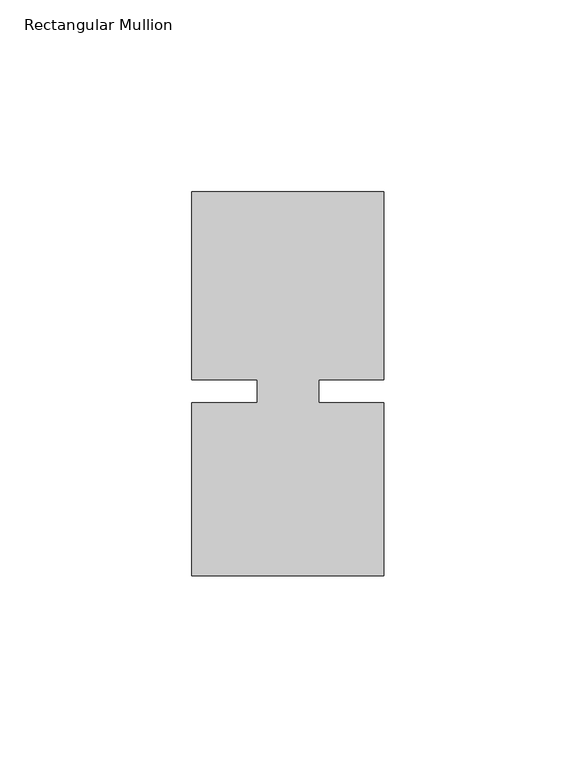
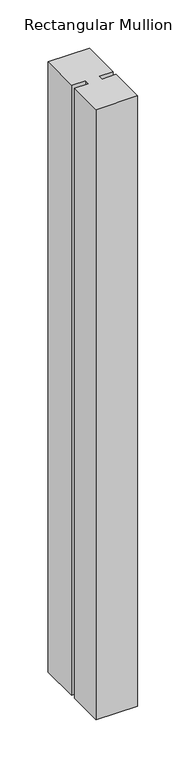
"""IFC4 building model written with IfcOpenShell, lengths in millimetres: member geometry, Rectangular Mullion."""

import ifcopenshell
import ifcopenshell.guid

model = None  # the IFC model being written
_history = None  # IfcOwnerHistory: only IFC2X3 demands one
_inside = {}  # id of a spatial element -> (the spatial element, [elements in it])
_under = {}  # id of a project, library or spatial element -> (it, [spatial elements below it])
_declared = {}  # id of a project -> (the project, [libraries it declares])
_typed = {}  # id of a type object -> (the type object, [elements of that type])
_made_of = {}  # id of a material, layer set ... -> (it, [elements and type objects made of it])


def new_model(schema):
    """Start an empty IFC model of exactly this schema.

    Asked for "IFC4X3", IfcOpenShell would pick the latest addendum, in which some entities
    have other attributes; the version numbers below select the first issue.
    IFC2X3 requires an IfcOwnerHistory on every rooted entity: one is made here for all.
    """
    global model, _history
    if schema == "IFC4X3":
        model = ifcopenshell.file(schema_version=(4, 3, 0, 0))
    else:
        model = ifcopenshell.file(schema=schema)
    _inside.clear()
    _under.clear()
    _declared.clear()
    _typed.clear()
    _made_of.clear()
    _history = None
    if model.schema == "IFC2X3":
        org = make("IfcOrganization", Name="unknown")
        user = make(
            "IfcPersonAndOrganization",
            ThePerson=make("IfcPerson", FamilyName="unknown"),
            TheOrganization=org,
        )
        app = make(
            "IfcApplication",
            ApplicationDeveloper=org,
            Version="unknown",
            ApplicationFullName="unknown",
            ApplicationIdentifier="unknown",
        )
        _history = make(
            "IfcOwnerHistory",
            OwningUser=user,
            OwningApplication=app,
            ChangeAction="ADDED",
            CreationDate=0,
        )
    return model


def make(cls, **values):
    """One entity of the class cls with the attributes given. An attribute that is None is left unset."""
    return model.create_entity(
        cls, **{name: value for name, value in values.items() if value is not None}
    )


def rooted(cls, **values):
    """An entity with a GlobalId (a new one), such as an element, a storey or a relation."""
    return make(cls, GlobalId=ifcopenshell.guid.new(), OwnerHistory=_history, **values)


def si_unit(unit_type, name, prefix=None):
    """IfcSIUnit, for example si_unit("LENGTHUNIT", "METRE", prefix="MILLI")."""
    return make("IfcSIUnit", UnitType=unit_type, Prefix=prefix, Name=name)


def assignment(units):
    """IfcUnitAssignment: the units of a project."""
    return None if units is None else make("IfcUnitAssignment", Units=units)


def point(xyz):
    """IfcCartesianPoint."""
    return None if xyz is None else make("IfcCartesianPoint", Coordinates=xyz)


def direction(xyz):
    """IfcDirection."""
    return None if xyz is None else make("IfcDirection", DirectionRatios=xyz)


def frame(location, z_axis=None, x_axis=None):
    """IfcAxis2Placement3D, a coordinate frame: its origin and axes. An axis left out is left unset."""
    return make(
        "IfcAxis2Placement3D",
        Location=point(location),
        Axis=direction(z_axis),
        RefDirection=direction(x_axis),
    )


def origin():
    """The frame at (0, 0, 0) with its axes left unset."""
    return frame((0.0, 0.0, 0.0))


def place(relative_to, where):
    """IfcLocalPlacement: puts the frame where relative to a parent placement (None: the world)."""
    return make(
        "IfcLocalPlacement", PlacementRelTo=relative_to, RelativePlacement=where
    )


def context(
    kind, dimensions, precision=None, world=None, true_north=None, identifier=None
):
    """IfcGeometricRepresentationContext, for example the 3D "Model" context."""
    return make(
        "IfcGeometricRepresentationContext",
        ContextIdentifier=identifier,
        ContextType=kind,
        CoordinateSpaceDimension=dimensions,
        Precision=precision,
        WorldCoordinateSystem=world,
        TrueNorth=true_north,
    )


def project(units=None, contexts=None):
    """IfcProject with its units and contexts."""
    return rooted(
        "IfcProject",
        Name="project",
        RepresentationContexts=contexts,
        UnitsInContext=assignment(units),
    )


def spatial(cls, under=None, at=None, **own):
    """A site, building, storey or space (cls), placed at a placement, below another one or the project."""
    s = rooted(cls, ObjectPlacement=at, **own)
    if under is not None:
        _under.setdefault(under.id(), (under, []))[1].append(s)
    return s


def polyline(points):
    """IfcPolyline through the points."""
    return make("IfcPolyline", Points=[point(p) for p in points])


def outline(outer, holes=None, kind="AREA"):
    """IfcArbitraryClosedProfileDef: a profile drawn as a closed curve; with holes, ...WithVoids."""
    if holes is None:
        return make("IfcArbitraryClosedProfileDef", ProfileType=kind, OuterCurve=outer)
    return make(
        "IfcArbitraryProfileDefWithVoids",
        ProfileType=kind,
        OuterCurve=outer,
        InnerCurves=holes,
    )


def extrude(swept, where, along, depth):
    """IfcExtrudedAreaSolid: the profile swept, set in the frame where, extruded along a direction by depth."""
    return make(
        "IfcExtrudedAreaSolid",
        SweptArea=swept,
        Position=where,
        ExtrudedDirection=direction(along),
        Depth=depth,
    )


def shape(context_of_items, identifier, shape_type, items):
    """IfcShapeRepresentation: the items that make up one representation, for example the "Body"."""
    return make(
        "IfcShapeRepresentation",
        ContextOfItems=context_of_items,
        RepresentationIdentifier=identifier,
        RepresentationType=shape_type,
        Items=items,
    )


def source(mapping_origin, context_of_items, identifier, shape_type, items):
    """IfcRepresentationMap: a shape defined once, which mapped items show again and again."""
    return make(
        "IfcRepresentationMap",
        MappingOrigin=mapping_origin,
        MappedRepresentation=shape(context_of_items, identifier, shape_type, items),
    )


def transform(
    local_origin,
    x_axis=None,
    y_axis=None,
    z_axis=None,
    scale=None,
    scale2=None,
    scale3=None,
    uniform=True,
):
    """IfcCartesianTransformationOperator3D, or its non-uniform kind. x_axis, y_axis, z_axis: its Axis1, 2, 3."""
    if uniform:
        return make(
            "IfcCartesianTransformationOperator3D",
            Axis1=direction(x_axis),
            Axis2=direction(y_axis),
            LocalOrigin=point(local_origin),
            Scale=scale,
            Axis3=direction(z_axis),
        )
    return make(
        "IfcCartesianTransformationOperator3DnonUniform",
        Axis1=direction(x_axis),
        Axis2=direction(y_axis),
        LocalOrigin=point(local_origin),
        Scale=scale,
        Axis3=direction(z_axis),
        Scale2=scale2,
        Scale3=scale3,
    )


def mapped(mapping_source, mapping_target):
    """IfcMappedItem: shows the shape of a source again, moved by a transform."""
    return make(
        "IfcMappedItem", MappingSource=mapping_source, MappingTarget=mapping_target
    )


def made_of(thing, what):
    """Note that an element or type object is made of a material, layer set ...; save() writes the relation."""
    if what is not None:
        _made_of.setdefault(what.id(), (what, []))[1].append(thing)
    return thing


def element(
    cls,
    number,
    at=None,
    inside=None,
    cuts=None,
    type_object=None,
    material=None,
    context=None,
    identifier="Body",
    shape_type=None,
    held_by="IfcProductDefinitionShape",
    body=None,
    shapes=None,
    **own,
):
    """One element of the class cls, such as IfcWall. Its Tag is "e" and its number.

    at: its placement. inside: the storey or other place that contains it. cuts: it is an
    opening in that element (IfcRelVoidsElement). A single representation is given by context,
    identifier, shape_type and body (its items); several are given by shapes. held_by: the class
    of the entity that holds the representations. save() writes the other relations.
    """
    e = rooted(cls, Tag="e%d" % number, ObjectPlacement=at, **own)
    if body is not None:
        shapes = [shape(context, identifier, shape_type, body)]
    if shapes is not None:
        e.Representation = make(held_by, Representations=shapes)
    if inside is not None:
        _inside.setdefault(inside.id(), (inside, []))[1].append(e)
    if cuts is not None:
        rooted(
            "IfcRelVoidsElement", RelatingBuildingElement=cuts, RelatedOpeningElement=e
        )
    if type_object is not None:
        _typed.setdefault(type_object.id(), (type_object, []))[1].append(e)
    return made_of(e, material)


def aggregate(whole, parts):
    """IfcRelAggregates: a whole, such as a stair, and the parts it consists of."""
    return rooted("IfcRelAggregates", RelatingObject=whole, RelatedObjects=parts)


def save(model, path):
    """Write the relations noted so far, then the file.

    IfcRelAggregates (storeys below a building ...), IfcRelContainedInSpatialStructure (elements
    in a storey), IfcRelDefinesByType, IfcRelAssociatesMaterial and IfcRelDeclares: one each for
    every whole, place, type object, material and project.
    """
    for whole, parts in _under.values():
        aggregate(whole, parts)
    for where, things in _inside.values():
        rooted(
            "IfcRelContainedInSpatialStructure",
            RelatedElements=things,
            RelatingStructure=where,
        )
    for kind, things in _typed.values():
        rooted("IfcRelDefinesByType", RelatedObjects=things, RelatingType=kind)
    for what, things in _made_of.values():
        rooted("IfcRelAssociatesMaterial", RelatedObjects=things, RelatingMaterial=what)
    for by, libraries in _declared.values():
        rooted("IfcRelDeclares", RelatingContext=by, RelatedDefinitions=libraries)
    model.write(path)


def rectangular_mullion_12162eef(model_context):
    return source(origin(), model_context, "Body", "SweptSolid", [
        extrude(outline(polyline([(8.0004618, -3.0000161), (25.0, -3.000024), (24.9999791, -48.000024), (-25.0000209, -48.0000007), (-25.0, -3.0000007), (-8.0004617, -3.0000086), (-8.0004589, 3.0000086), (-24.9999972, 3.0000166), (-24.9999743, 51.9999993), (25.0000011, 51.9999711), (24.9999734, 2.9999933), (8.0004646, 3.0000012), (8.0004618, -3.0000161)])), frame((0.0, 0.0, -773.4021855), z_axis=(0.0, 0.0, 1.0), x_axis=(1.0, 0.0, 0.0)), (0.0, 0.0, 1.0), 773.4021855),
    ])


if __name__ == "__main__":
    model = new_model("IFC4")
    model_context = context("Model", 3, world=origin())
    ifc_project = project(units=[si_unit("LENGTHUNIT", "METRE", prefix="MILLI")], contexts=[model_context])
    site = spatial("IfcSite", under=ifc_project)
    building = spatial("IfcBuilding", under=site)
    placement = place(None, origin())
    rectangular_mullion_shape = rectangular_mullion_12162eef(model_context)
    element("IfcMember", 1, ObjectType="Rectangular Mullion", at=placement, inside=building, context=model_context, shape_type="MappedRepresentation", body=[
        mapped(rectangular_mullion_shape, transform((0.0, 0.0, 0.0), x_axis=(1.0, 0.0, 0.0), y_axis=(0.0, 1.0, 0.0), z_axis=(0.0, 0.0, 1.0))),
    ])
    save(model, "model.ifc")
